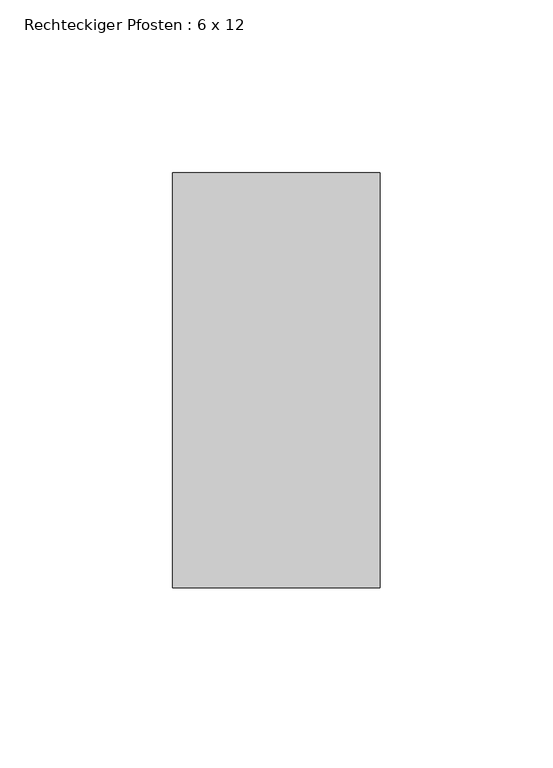
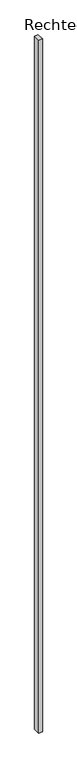
"""IFC4 building model written with IfcOpenShell, lengths in millimetres: member geometry, Rechteckiger Pfosten : 6 x 12."""

import ifcopenshell
import ifcopenshell.guid

model = None  # the IFC model being written
_history = None  # IfcOwnerHistory: only IFC2X3 demands one
_inside = {}  # id of a spatial element -> (the spatial element, [elements in it])
_under = {}  # id of a project, library or spatial element -> (it, [spatial elements below it])
_declared = {}  # id of a project -> (the project, [libraries it declares])
_typed = {}  # id of a type object -> (the type object, [elements of that type])
_made_of = {}  # id of a material, layer set ... -> (it, [elements and type objects made of it])


def new_model(schema):
    """Start an empty IFC model of exactly this schema.

    Asked for "IFC4X3", IfcOpenShell would pick the latest addendum, in which some entities
    have other attributes; the version numbers below select the first issue.
    IFC2X3 requires an IfcOwnerHistory on every rooted entity: one is made here for all.
    """
    global model, _history
    if schema == "IFC4X3":
        model = ifcopenshell.file(schema_version=(4, 3, 0, 0))
    else:
        model = ifcopenshell.file(schema=schema)
    _inside.clear()
    _under.clear()
    _declared.clear()
    _typed.clear()
    _made_of.clear()
    _history = None
    if model.schema == "IFC2X3":
        org = make("IfcOrganization", Name="unknown")
        user = make(
            "IfcPersonAndOrganization",
            ThePerson=make("IfcPerson", FamilyName="unknown"),
            TheOrganization=org,
        )
        app = make(
            "IfcApplication",
            ApplicationDeveloper=org,
            Version="unknown",
            ApplicationFullName="unknown",
            ApplicationIdentifier="unknown",
        )
        _history = make(
            "IfcOwnerHistory",
            OwningUser=user,
            OwningApplication=app,
            ChangeAction="ADDED",
            CreationDate=0,
        )
    return model


def make(cls, **values):
    """One entity of the class cls with the attributes given. An attribute that is None is left unset."""
    return model.create_entity(
        cls, **{name: value for name, value in values.items() if value is not None}
    )


def rooted(cls, **values):
    """An entity with a GlobalId (a new one), such as an element, a storey or a relation."""
    return make(cls, GlobalId=ifcopenshell.guid.new(), OwnerHistory=_history, **values)


def si_unit(unit_type, name, prefix=None):
    """IfcSIUnit, for example si_unit("LENGTHUNIT", "METRE", prefix="MILLI")."""
    return make("IfcSIUnit", UnitType=unit_type, Prefix=prefix, Name=name)


def assignment(units):
    """IfcUnitAssignment: the units of a project."""
    return None if units is None else make("IfcUnitAssignment", Units=units)


def point(xyz):
    """IfcCartesianPoint."""
    return None if xyz is None else make("IfcCartesianPoint", Coordinates=xyz)


def direction(xyz):
    """IfcDirection."""
    return None if xyz is None else make("IfcDirection", DirectionRatios=xyz)


def frame(location, z_axis=None, x_axis=None):
    """IfcAxis2Placement3D, a coordinate frame: its origin and axes. An axis left out is left unset."""
    return make(
        "IfcAxis2Placement3D",
        Location=point(location),
        Axis=direction(z_axis),
        RefDirection=direction(x_axis),
    )


def origin():
    """The frame at (0, 0, 0) with its axes left unset."""
    return frame((0.0, 0.0, 0.0))


def place(relative_to, where):
    """IfcLocalPlacement: puts the frame where relative to a parent placement (None: the world)."""
    return make(
        "IfcLocalPlacement", PlacementRelTo=relative_to, RelativePlacement=where
    )


def context(
    kind, dimensions, precision=None, world=None, true_north=None, identifier=None
):
    """IfcGeometricRepresentationContext, for example the 3D "Model" context."""
    return make(
        "IfcGeometricRepresentationContext",
        ContextIdentifier=identifier,
        ContextType=kind,
        CoordinateSpaceDimension=dimensions,
        Precision=precision,
        WorldCoordinateSystem=world,
        TrueNorth=true_north,
    )


def project(units=None, contexts=None):
    """IfcProject with its units and contexts."""
    return rooted(
        "IfcProject",
        Name="project",
        RepresentationContexts=contexts,
        UnitsInContext=assignment(units),
    )


def spatial(cls, under=None, at=None, **own):
    """A site, building, storey or space (cls), placed at a placement, below another one or the project."""
    s = rooted(cls, ObjectPlacement=at, **own)
    if under is not None:
        _under.setdefault(under.id(), (under, []))[1].append(s)
    return s


def polyline(points):
    """IfcPolyline through the points."""
    return make("IfcPolyline", Points=[point(p) for p in points])


def outline(outer, holes=None, kind="AREA"):
    """IfcArbitraryClosedProfileDef: a profile drawn as a closed curve; with holes, ...WithVoids."""
    if holes is None:
        return make("IfcArbitraryClosedProfileDef", ProfileType=kind, OuterCurve=outer)
    return make(
        "IfcArbitraryProfileDefWithVoids",
        ProfileType=kind,
        OuterCurve=outer,
        InnerCurves=holes,
    )


def extrude(swept, where, along, depth):
    """IfcExtrudedAreaSolid: the profile swept, set in the frame where, extruded along a direction by depth."""
    return make(
        "IfcExtrudedAreaSolid",
        SweptArea=swept,
        Position=where,
        ExtrudedDirection=direction(along),
        Depth=depth,
    )


def shape(context_of_items, identifier, shape_type, items):
    """IfcShapeRepresentation: the items that make up one representation, for example the "Body"."""
    return make(
        "IfcShapeRepresentation",
        ContextOfItems=context_of_items,
        RepresentationIdentifier=identifier,
        RepresentationType=shape_type,
        Items=items,
    )


def source(mapping_origin, context_of_items, identifier, shape_type, items):
    """IfcRepresentationMap: a shape defined once, which mapped items show again and again."""
    return make(
        "IfcRepresentationMap",
        MappingOrigin=mapping_origin,
        MappedRepresentation=shape(context_of_items, identifier, shape_type, items),
    )


def transform(
    local_origin,
    x_axis=None,
    y_axis=None,
    z_axis=None,
    scale=None,
    scale2=None,
    scale3=None,
    uniform=True,
):
    """IfcCartesianTransformationOperator3D, or its non-uniform kind. x_axis, y_axis, z_axis: its Axis1, 2, 3."""
    if uniform:
        return make(
            "IfcCartesianTransformationOperator3D",
            Axis1=direction(x_axis),
            Axis2=direction(y_axis),
            LocalOrigin=point(local_origin),
            Scale=scale,
            Axis3=direction(z_axis),
        )
    return make(
        "IfcCartesianTransformationOperator3DnonUniform",
        Axis1=direction(x_axis),
        Axis2=direction(y_axis),
        LocalOrigin=point(local_origin),
        Scale=scale,
        Axis3=direction(z_axis),
        Scale2=scale2,
        Scale3=scale3,
    )


def mapped(mapping_source, mapping_target):
    """IfcMappedItem: shows the shape of a source again, moved by a transform."""
    return make(
        "IfcMappedItem", MappingSource=mapping_source, MappingTarget=mapping_target
    )


def made_of(thing, what):
    """Note that an element or type object is made of a material, layer set ...; save() writes the relation."""
    if what is not None:
        _made_of.setdefault(what.id(), (what, []))[1].append(thing)
    return thing


def element(
    cls,
    number,
    at=None,
    inside=None,
    cuts=None,
    type_object=None,
    material=None,
    context=None,
    identifier="Body",
    shape_type=None,
    held_by="IfcProductDefinitionShape",
    body=None,
    shapes=None,
    **own,
):
    """One element of the class cls, such as IfcWall. Its Tag is "e" and its number.

    at: its placement. inside: the storey or other place that contains it. cuts: it is an
    opening in that element (IfcRelVoidsElement). A single representation is given by context,
    identifier, shape_type and body (its items); several are given by shapes. held_by: the class
    of the entity that holds the representations. save() writes the other relations.
    """
    e = rooted(cls, Tag="e%d" % number, ObjectPlacement=at, **own)
    if body is not None:
        shapes = [shape(context, identifier, shape_type, body)]
    if shapes is not None:
        e.Representation = make(held_by, Representations=shapes)
    if inside is not None:
        _inside.setdefault(inside.id(), (inside, []))[1].append(e)
    if cuts is not None:
        rooted(
            "IfcRelVoidsElement", RelatingBuildingElement=cuts, RelatedOpeningElement=e
        )
    if type_object is not None:
        _typed.setdefault(type_object.id(), (type_object, []))[1].append(e)
    return made_of(e, material)


def aggregate(whole, parts):
    """IfcRelAggregates: a whole, such as a stair, and the parts it consists of."""
    return rooted("IfcRelAggregates", RelatingObject=whole, RelatedObjects=parts)


def save(model, path):
    """Write the relations noted so far, then the file.

    IfcRelAggregates (storeys below a building ...), IfcRelContainedInSpatialStructure (elements
    in a storey), IfcRelDefinesByType, IfcRelAssociatesMaterial and IfcRelDeclares: one each for
    every whole, place, type object, material and project.
    """
    for whole, parts in _under.values():
        aggregate(whole, parts)
    for where, things in _inside.values():
        rooted(
            "IfcRelContainedInSpatialStructure",
            RelatedElements=things,
            RelatingStructure=where,
        )
    for kind, things in _typed.values():
        rooted("IfcRelDefinesByType", RelatedObjects=things, RelatingType=kind)
    for what, things in _made_of.values():
        rooted("IfcRelAssociatesMaterial", RelatedObjects=things, RelatingMaterial=what)
    for by, libraries in _declared.values():
        rooted("IfcRelDeclares", RelatingContext=by, RelatedDefinitions=libraries)
    model.write(path)


def rechteckiger_pfosten_6_x_12_33b7951e(model_context):
    return source(origin(), model_context, "Body", "SweptSolid", [
        extrude(outline(polyline([(0.0, 60.0), (0.0, -60.0), (-60.0, -60.0), (-60.0, 60.0), (0.0, 60.0)])), frame((0.0, 0.0, -12464.4852111), z_axis=(0.0, 0.0, 1.0), x_axis=(1.0, 0.0, 0.0)), (0.0, 0.0, 1.0), 12464.4852111),
    ])


if __name__ == "__main__":
    model = new_model("IFC4")
    model_context = context("Model", 3, world=origin())
    ifc_project = project(units=[si_unit("LENGTHUNIT", "METRE", prefix="MILLI")], contexts=[model_context])
    site = spatial("IfcSite", under=ifc_project)
    building = spatial("IfcBuilding", under=site)
    placement = place(None, origin())
    rechteckiger_pfosten_6_x_12_shape = rechteckiger_pfosten_6_x_12_33b7951e(model_context)
    element("IfcMember", 1, ObjectType="Rechteckiger Pfosten : 6 x 12", at=placement, inside=building, context=model_context, shape_type="MappedRepresentation", body=[
        mapped(rechteckiger_pfosten_6_x_12_shape, transform((0.0, 0.0, 0.0), x_axis=(1.0, 0.0, 0.0), y_axis=(0.0, 1.0, 0.0), z_axis=(0.0, 0.0, 1.0))),
    ])
    save(model, "model.ifc")
